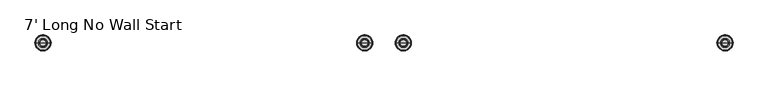
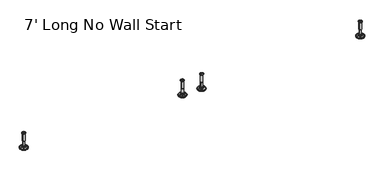
"""IFC4 building model written with IfcOpenShell, lengths in millimetres: furniture geometry, 7' Long No Wall Start."""

from ifc_helpers import new_model, si_unit, frame, origin, place, context, project, spatial, polyline, circle_curve, source, transform, mapped, element, save
from ifc_brep_helpers import plane_surface, cylinder_surface, revolved_surface, advanced_brep


def furniture_7_long_no_wall_start_76ecd195(model_context):
    return source(origin(), model_context, "Body", "AdvancedBrep", [
        advanced_brep(
        [(2076.5372135, 0.0, 101.6), (2085.515135, 0.0, 101.6), (2067.5592921, 0.0, 101.6), (2090.6414535, 0.0, 0.0206943), (2076.5372135, 0.0, 0.0206943), (2062.4329736, 0.0, 0.0206943), (2095.5194852, 0.0, 1.4194474), (2057.5549419, 0.0, 1.4194474), (2099.2814003, 0.0, 4.7394056), (2053.7930268, 0.0, 4.7394056), (2100.3988499, 0.0, 7.5051905), (2052.6755772, 0.0, 7.5051905), (2100.3988499, 0.0, 8.3065967), (2052.6755772, 0.0, 8.3065967), (2099.5564467, 0.0, 9.8469348), (2053.5179804, 0.0, 9.8469348), (2098.456304, 0.0, 10.8375077), (2054.6181231, 0.0, 10.8375077), (2091.1526088, 0.0, 12.7338946), (2061.9218183, 0.0, 12.7338946), (2083.7344574, 0.0, 13.3828987), (2069.3399696, 0.0, 13.3828987), (2083.7344574, 0.0, 14.1772758), (2069.3399696, 0.0, 14.1772758), (2081.3376646, 0.0, 14.1772758), (2071.7367625, 0.0, 14.1772758), (2081.3376646, 0.0, 18.8098403), (2071.7367625, 0.0, 18.8098403), (2082.3535173, 0.0, 19.8256929), (2070.7209098, 0.0, 19.8256929), (2082.3535173, 0.0, 48.3056352), (2070.7209098, 0.0, 48.3056352), (2083.5770452, 0.0, 49.9293116), (2069.4973819, 0.0, 49.9293116), (2083.5770452, 0.0, 97.327223), (2069.4973819, 0.0, 97.327223), (2084.4581495, 0.0, 97.6479188), (2068.6162776, 0.0, 97.6479188), (2085.5071385, 0.0, 97.6479188), (2067.5672886, 0.0, 97.6479188), (2087.1721684, 0.0, 98.6092242), (2065.9022587, 0.0, 98.6092242), (2087.1721684, 0.0, 100.6043539), (2065.9022587, 0.0, 100.6043539)],
        [
            (0, 1),
            (1, 2, circle_curve(frame((2076.5372135, 0.0, 101.6), z_axis=(0.0, 0.0, 1.0), x_axis=(-1.0, 0.0, 0.0)), 8.9779214)),
            (2, 0),
            (2, 1, circle_curve(frame((2076.5372135, 0.0, 101.6), z_axis=(0.0, 0.0, 1.0), x_axis=(-1.0, 0.0, 0.0)), 8.9779214)),
            (3, 4),
            (4, 5),
            (5, 3, circle_curve(frame((2076.5372135, 0.0, 0.0206943), z_axis=(0.0, 0.0, -1.0), x_axis=(-1.0, 0.0, 0.0)), 14.1042399)),
            (3, 5, circle_curve(frame((2076.5372135, 0.0, 0.0206943), z_axis=(0.0, 0.0, -1.0), x_axis=(-1.0, 0.0, 0.0)), 14.1042399)),
            (6, 3),
            (5, 7),
            (7, 6, circle_curve(frame((2076.5372135, 0.0, 1.4194474), z_axis=(0.0, 0.0, -1.0), x_axis=(-1.0, 0.0, 0.0)), 18.9822717)),
            (6, 7, circle_curve(frame((2076.5372135, 0.0, 1.4194474), z_axis=(0.0, 0.0, -1.0), x_axis=(-1.0, 0.0, 0.0)), 18.9822717)),
            (8, 6),
            (7, 9),
            (9, 8, circle_curve(frame((2076.5372135, 0.0, 4.7394056), z_axis=(0.0, 0.0, -1.0), x_axis=(-1.0, 0.0, 0.0)), 22.7441867)),
            (8, 9, circle_curve(frame((2076.5372135, 0.0, 4.7394056), z_axis=(0.0, 0.0, -1.0), x_axis=(-1.0, 0.0, 0.0)), 22.7441867)),
            (10, 8),
            (9, 11),
            (11, 10, circle_curve(frame((2076.5372135, 0.0, 7.5051905), z_axis=(0.0, 0.0, -1.0), x_axis=(-1.0, 0.0, 0.0)), 23.8616363)),
            (10, 11, circle_curve(frame((2076.5372135, 0.0, 7.5051905), z_axis=(0.0, 0.0, -1.0), x_axis=(-1.0, 0.0, 0.0)), 23.8616363)),
            (12, 10),
            (11, 13),
            (13, 12, circle_curve(frame((2076.5372135, 0.0, 8.3065967), z_axis=(0.0, 0.0, -1.0), x_axis=(-1.0, 0.0, 0.0)), 23.8616363)),
            (12, 13, circle_curve(frame((2076.5372135, 0.0, 8.3065967), z_axis=(0.0, 0.0, -1.0), x_axis=(-1.0, 0.0, 0.0)), 23.8616363)),
            (14, 12),
            (13, 15),
            (15, 14, circle_curve(frame((2076.5372135, 0.0, 9.8469348), z_axis=(0.0, 0.0, -1.0), x_axis=(-1.0, 0.0, 0.0)), 23.0192331)),
            (14, 15, circle_curve(frame((2076.5372135, 0.0, 9.8469348), z_axis=(0.0, 0.0, -1.0), x_axis=(-1.0, 0.0, 0.0)), 23.0192331)),
            (16, 14),
            (15, 17),
            (17, 16, circle_curve(frame((2076.5372135, 0.0, 10.8375077), z_axis=(0.0, 0.0, -1.0), x_axis=(-1.0, 0.0, 0.0)), 21.9190905)),
            (16, 17, circle_curve(frame((2076.5372135, 0.0, 10.8375077), z_axis=(0.0, 0.0, -1.0), x_axis=(-1.0, 0.0, 0.0)), 21.9190905)),
            (18, 16),
            (17, 19),
            (19, 18, circle_curve(frame((2076.5372135, 0.0, 12.7338946), z_axis=(0.0, 0.0, -1.0), x_axis=(-1.0, 0.0, 0.0)), 14.6153953)),
            (18, 19, circle_curve(frame((2076.5372135, 0.0, 12.7338946), z_axis=(0.0, 0.0, -1.0), x_axis=(-1.0, 0.0, 0.0)), 14.6153953)),
            (20, 18),
            (19, 21),
            (21, 20, circle_curve(frame((2076.5372135, 0.0, 13.3828987), z_axis=(0.0, 0.0, -1.0), x_axis=(-1.0, 0.0, 0.0)), 7.1972439)),
            (20, 21, circle_curve(frame((2076.5372135, 0.0, 13.3828987), z_axis=(0.0, 0.0, -1.0), x_axis=(-1.0, 0.0, 0.0)), 7.1972439)),
            (22, 20),
            (21, 23),
            (23, 22, circle_curve(frame((2076.5372135, 0.0, 14.1772758), z_axis=(0.0, 0.0, -1.0), x_axis=(-1.0, 0.0, 0.0)), 7.1972439)),
            (22, 23, circle_curve(frame((2076.5372135, 0.0, 14.1772758), z_axis=(0.0, 0.0, -1.0), x_axis=(-1.0, 0.0, 0.0)), 7.1972439)),
            (24, 22),
            (23, 25),
            (25, 24, circle_curve(frame((2076.5372135, 0.0, 14.1772758), z_axis=(0.0, 0.0, -1.0), x_axis=(-1.0, 0.0, 0.0)), 4.8004511)),
            (24, 25, circle_curve(frame((2076.5372135, 0.0, 14.1772758), z_axis=(0.0, 0.0, -1.0), x_axis=(-1.0, 0.0, 0.0)), 4.8004511)),
            (26, 24),
            (25, 27),
            (27, 26, circle_curve(frame((2076.5372135, 0.0, 18.8098403), z_axis=(0.0, 0.0, -1.0), x_axis=(-1.0, 0.0, 0.0)), 4.8004511)),
            (26, 27, circle_curve(frame((2076.5372135, 0.0, 18.8098403), z_axis=(0.0, 0.0, -1.0), x_axis=(-1.0, 0.0, 0.0)), 4.8004511)),
            (28, 26),
            (27, 29),
            (29, 28, circle_curve(frame((2076.5372135, 0.0, 19.8256929), z_axis=(0.0, 0.0, -1.0), x_axis=(-1.0, 0.0, 0.0)), 5.8163037)),
            (28, 29, circle_curve(frame((2076.5372135, 0.0, 19.8256929), z_axis=(0.0, 0.0, -1.0), x_axis=(-1.0, 0.0, 0.0)), 5.8163037)),
            (30, 28),
            (29, 31),
            (31, 30, circle_curve(frame((2076.5372135, 0.0, 48.3056352), z_axis=(0.0, 0.0, -1.0), x_axis=(-1.0, 0.0, 0.0)), 5.8163037)),
            (30, 31, circle_curve(frame((2076.5372135, 0.0, 48.3056352), z_axis=(0.0, 0.0, -1.0), x_axis=(-1.0, 0.0, 0.0)), 5.8163037)),
            (32, 30),
            (31, 33),
            (33, 32, circle_curve(frame((2076.5372135, 0.0, 49.9293116), z_axis=(0.0, 0.0, -1.0), x_axis=(-1.0, 0.0, 0.0)), 7.0398316)),
            (32, 33, circle_curve(frame((2076.5372135, 0.0, 49.9293116), z_axis=(0.0, 0.0, -1.0), x_axis=(-1.0, 0.0, 0.0)), 7.0398316)),
            (34, 32),
            (33, 35),
            (35, 34, circle_curve(frame((2076.5372135, 0.0, 97.327223), z_axis=(0.0, 0.0, -1.0), x_axis=(-1.0, 0.0, 0.0)), 7.0398316)),
            (34, 35, circle_curve(frame((2076.5372135, 0.0, 97.327223), z_axis=(0.0, 0.0, -1.0), x_axis=(-1.0, 0.0, 0.0)), 7.0398316)),
            (36, 34),
            (35, 37),
            (37, 36, circle_curve(frame((2076.5372135, 0.0, 97.6479188), z_axis=(0.0, 0.0, -1.0), x_axis=(-1.0, 0.0, 0.0)), 7.920936)),
            (36, 37, circle_curve(frame((2076.5372135, 0.0, 97.6479188), z_axis=(0.0, 0.0, -1.0), x_axis=(-1.0, 0.0, 0.0)), 7.920936)),
            (38, 36),
            (37, 39),
            (39, 38, circle_curve(frame((2076.5372135, 0.0, 97.6479188), z_axis=(0.0, 0.0, -1.0), x_axis=(-1.0, 0.0, 0.0)), 8.9699249)),
            (38, 39, circle_curve(frame((2076.5372135, 0.0, 97.6479188), z_axis=(0.0, 0.0, -1.0), x_axis=(-1.0, 0.0, 0.0)), 8.9699249)),
            (40, 38),
            (39, 41),
            (41, 40, circle_curve(frame((2076.5372135, 0.0, 98.6092242), z_axis=(0.0, 0.0, -1.0), x_axis=(-1.0, 0.0, 0.0)), 10.6349548)),
            (40, 41, circle_curve(frame((2076.5372135, 0.0, 98.6092242), z_axis=(0.0, 0.0, -1.0), x_axis=(-1.0, 0.0, 0.0)), 10.6349548)),
            (42, 40),
            (41, 43),
            (43, 42, circle_curve(frame((2076.5372135, 0.0, 100.6043539), z_axis=(0.0, 0.0, -1.0), x_axis=(-1.0, 0.0, 0.0)), 10.6349548)),
            (42, 43, circle_curve(frame((2076.5372135, 0.0, 100.6043539), z_axis=(0.0, 0.0, -1.0), x_axis=(-1.0, 0.0, 0.0)), 10.6349548)),
            (1, 42),
            (43, 2),
        ],
        [
            plane_surface(frame((2076.5372135, 0.0, 101.6), z_axis=(0.0, 0.0, 1.0), x_axis=(-1.0, 0.0, 0.0))),
            plane_surface(frame((2076.5372135, 0.0, 0.0206943), z_axis=(0.0, 0.0, -1.0), x_axis=(-1.0, 0.0, 0.0))),
            revolved_surface(polyline([(2062.4329736, 0.0, 0.0206943), (2057.5549419, 0.0, 1.4194474)]), (2076.5372135, 0.0, 101.6), (0.0, 0.0, 1.0)),
            revolved_surface(polyline([(2057.5549419, 0.0, 1.4194474), (2053.7930268, 0.0, 4.7394056)]), (2076.5372135, 0.0, 101.6), (0.0, 0.0, 1.0)),
            revolved_surface(polyline([(2053.7930268, 0.0, 4.7394056), (2052.6755772, 0.0, 7.5051905)]), (2076.5372135, 0.0, 101.6), (0.0, 0.0, 1.0)),
            cylinder_surface(frame((2076.5372135, 0.0, 101.6), z_axis=(0.0, 0.0, 1.0), x_axis=(-1.0, 0.0, 0.0)), 23.8616363),
            revolved_surface(polyline([(2052.6755772, 0.0, 8.3065967), (2053.5179804, 0.0, 9.8469348)]), (2076.5372135, 0.0, 101.6), (0.0, 0.0, 1.0)),
            revolved_surface(polyline([(2053.5179804, 0.0, 9.8469348), (2054.6181231, 0.0, 10.8375077)]), (2076.5372135, 0.0, 101.6), (0.0, 0.0, 1.0)),
            revolved_surface(polyline([(2054.6181231, 0.0, 10.8375077), (2061.9218183, 0.0, 12.7338946)]), (2076.5372135, 0.0, 101.6), (0.0, 0.0, 1.0)),
            revolved_surface(polyline([(2061.9218183, 0.0, 12.7338946), (2069.3399696, 0.0, 13.3828987)]), (2076.5372135, 0.0, 101.6), (0.0, 0.0, 1.0)),
            cylinder_surface(frame((2076.5372135, 0.0, 101.6), z_axis=(0.0, 0.0, 1.0), x_axis=(-1.0, 0.0, 0.0)), 7.1972439),
            plane_surface(frame((2076.5372135, 0.0, 14.1772758), z_axis=(0.0, 0.0, 1.0), x_axis=(-1.0, 0.0, 0.0))),
            cylinder_surface(frame((2076.5372135, 0.0, 101.6), z_axis=(0.0, 0.0, 1.0), x_axis=(-1.0, 0.0, 0.0)), 4.8004511),
            revolved_surface(polyline([(2071.7367625, 0.0, 18.8098403), (2070.7209098, 0.0, 19.8256929)]), (2076.5372135, 0.0, 101.6), (0.0, 0.0, 1.0)),
            cylinder_surface(frame((2076.5372135, 0.0, 101.6), z_axis=(0.0, 0.0, 1.0), x_axis=(-1.0, 0.0, 0.0)), 5.8163037),
            revolved_surface(polyline([(2070.7209098, 0.0, 48.3056352), (2069.4973819, 0.0, 49.9293116)]), (2076.5372135, 0.0, 101.6), (0.0, 0.0, 1.0)),
            cylinder_surface(frame((2076.5372135, 0.0, 101.6), z_axis=(0.0, 0.0, 1.0), x_axis=(-1.0, 0.0, 0.0)), 7.0398316),
            revolved_surface(polyline([(2069.4973819, 0.0, 97.327223), (2068.6162776, 0.0, 97.6479188)]), (2076.5372135, 0.0, 101.6), (0.0, 0.0, 1.0)),
            plane_surface(frame((2076.5372135, 0.0, 97.6479188), z_axis=(0.0, 0.0, -1.0), x_axis=(-1.0, 0.0, 0.0))),
            revolved_surface(polyline([(2067.5672886, 0.0, 97.6479188), (2065.9022587, 0.0, 98.6092242)]), (2076.5372135, 0.0, 101.6), (0.0, 0.0, 1.0)),
            cylinder_surface(frame((2076.5372135, 0.0, 101.6), z_axis=(0.0, 0.0, 1.0), x_axis=(-1.0, 0.0, 0.0)), 10.6349548),
            revolved_surface(polyline([(2065.9022587, 0.0, 100.6043539), (2067.5592921, 0.0, 101.6)]), (2076.5372135, 0.0, 101.6), (0.0, 0.0, 1.0)),
        ],
        [
            (0, [[1, 2, 3]]),
            (0, [[-3, 4, -1]]),
            (1, [[5, 6, 7]]),
            (1, [[-6, -5, 8]]),
            (2, [[9, -7, 10, 11]]),
            (2, [[-10, -8, -9, 12]]),
            (3, [[13, -11, 14, 15]]),
            (3, [[-14, -12, -13, 16]]),
            (4, [[17, -15, 18, 19]]),
            (4, [[-18, -16, -17, 20]]),
            (5, [[21, -19, 22, 23]]),
            (5, [[-22, -20, -21, 24]]),
            (6, [[25, -23, 26, 27]]),
            (6, [[-26, -24, -25, 28]]),
            (7, [[29, -27, 30, 31]]),
            (7, [[-30, -28, -29, 32]]),
            (8, [[33, -31, 34, 35]]),
            (8, [[-34, -32, -33, 36]]),
            (9, [[37, -35, 38, 39]]),
            (9, [[-38, -36, -37, 40]]),
            (10, [[41, -39, 42, 43]]),
            (10, [[-42, -40, -41, 44]]),
            (11, [[45, -43, 46, 47]]),
            (11, [[-46, -44, -45, 48]]),
            (12, [[49, -47, 50, 51]]),
            (12, [[-50, -48, -49, 52]]),
            (13, [[53, -51, 54, 55]]),
            (13, [[-54, -52, -53, 56]]),
            (14, [[57, -55, 58, 59]]),
            (14, [[-58, -56, -57, 60]]),
            (15, [[61, -59, 62, 63]]),
            (15, [[-62, -60, -61, 64]]),
            (16, [[65, -63, 66, 67]]),
            (16, [[-66, -64, -65, 68]]),
            (17, [[69, -67, 70, 71]]),
            (17, [[-70, -68, -69, 72]]),
            (18, [[73, -71, 74, 75]]),
            (18, [[-74, -72, -73, 76]]),
            (19, [[77, -75, 78, 79]]),
            (19, [[-78, -76, -77, 80]]),
            (20, [[81, -79, 82, 83]]),
            (20, [[-82, -80, -81, 84]]),
            (21, [[85, -83, 86, -2]]),
            (21, [[-86, -84, -85, -4]]),
        ],
    ),
        advanced_brep(
        [(1124.1364323, 0.0, 101.6), (1133.1143537, 0.0, 101.6), (1115.1585109, 0.0, 101.6), (1138.2406722, 0.0, 0.0206943), (1124.1364323, 0.0, 0.0206943), (1110.0321924, 0.0, 0.0206943), (1143.118704, 0.0, 1.4194474), (1105.1541606, 0.0, 1.4194474), (1146.880619, 0.0, 4.7394056), (1101.3922456, 0.0, 4.7394056), (1147.9980686, 0.0, 7.5051905), (1100.274796, 0.0, 7.5051905), (1147.9980686, 0.0, 8.3065967), (1100.274796, 0.0, 8.3065967), (1147.1556654, 0.0, 9.8469348), (1101.1171992, 0.0, 9.8469348), (1146.0555228, 0.0, 10.8375077), (1102.2173418, 0.0, 10.8375077), (1138.7518276, 0.0, 12.7338946), (1109.521037, 0.0, 12.7338946), (1131.3336762, 0.0, 13.3828987), (1116.9391884, 0.0, 13.3828987), (1131.3336762, 0.0, 14.1772758), (1116.9391884, 0.0, 14.1772758), (1128.9368834, 0.0, 14.1772758), (1119.3359812, 0.0, 14.1772758), (1128.9368834, 0.0, 18.8098403), (1119.3359812, 0.0, 18.8098403), (1129.952736, 0.0, 19.8256929), (1118.3201286, 0.0, 19.8256929), (1129.952736, 0.0, 48.3056352), (1118.3201286, 0.0, 48.3056352), (1131.1762639, 0.0, 49.9293116), (1117.0966007, 0.0, 49.9293116), (1131.1762639, 0.0, 97.327223), (1117.0966007, 0.0, 97.327223), (1132.0573683, 0.0, 97.6479188), (1116.2154963, 0.0, 97.6479188), (1133.1063572, 0.0, 97.6479188), (1115.1665074, 0.0, 97.6479188), (1134.7713871, 0.0, 98.6092242), (1113.5014775, 0.0, 98.6092242), (1134.7713871, 0.0, 100.6043539), (1113.5014775, 0.0, 100.6043539)],
        [
            (0, 1),
            (1, 2, circle_curve(frame((1124.1364323, 0.0, 101.6), z_axis=(0.0, 0.0, 1.0), x_axis=(-1.0, 0.0, 0.0)), 8.9779214)),
            (2, 0),
            (2, 1, circle_curve(frame((1124.1364323, 0.0, 101.6), z_axis=(0.0, 0.0, 1.0), x_axis=(-1.0, 0.0, 0.0)), 8.9779214)),
            (3, 4),
            (4, 5),
            (5, 3, circle_curve(frame((1124.1364323, 0.0, 0.0206943), z_axis=(0.0, 0.0, -1.0), x_axis=(-1.0, 0.0, 0.0)), 14.1042399)),
            (3, 5, circle_curve(frame((1124.1364323, 0.0, 0.0206943), z_axis=(0.0, 0.0, -1.0), x_axis=(-1.0, 0.0, 0.0)), 14.1042399)),
            (6, 3),
            (5, 7),
            (7, 6, circle_curve(frame((1124.1364323, 0.0, 1.4194474), z_axis=(0.0, 0.0, -1.0), x_axis=(-1.0, 0.0, 0.0)), 18.9822717)),
            (6, 7, circle_curve(frame((1124.1364323, 0.0, 1.4194474), z_axis=(0.0, 0.0, -1.0), x_axis=(-1.0, 0.0, 0.0)), 18.9822717)),
            (8, 6),
            (7, 9),
            (9, 8, circle_curve(frame((1124.1364323, 0.0, 4.7394056), z_axis=(0.0, 0.0, -1.0), x_axis=(-1.0, 0.0, 0.0)), 22.7441867)),
            (8, 9, circle_curve(frame((1124.1364323, 0.0, 4.7394056), z_axis=(0.0, 0.0, -1.0), x_axis=(-1.0, 0.0, 0.0)), 22.7441867)),
            (10, 8),
            (9, 11),
            (11, 10, circle_curve(frame((1124.1364323, 0.0, 7.5051905), z_axis=(0.0, 0.0, -1.0), x_axis=(-1.0, 0.0, 0.0)), 23.8616363)),
            (10, 11, circle_curve(frame((1124.1364323, 0.0, 7.5051905), z_axis=(0.0, 0.0, -1.0), x_axis=(-1.0, 0.0, 0.0)), 23.8616363)),
            (12, 10),
            (11, 13),
            (13, 12, circle_curve(frame((1124.1364323, 0.0, 8.3065967), z_axis=(0.0, 0.0, -1.0), x_axis=(-1.0, 0.0, 0.0)), 23.8616363)),
            (12, 13, circle_curve(frame((1124.1364323, 0.0, 8.3065967), z_axis=(0.0, 0.0, -1.0), x_axis=(-1.0, 0.0, 0.0)), 23.8616363)),
            (14, 12),
            (13, 15),
            (15, 14, circle_curve(frame((1124.1364323, 0.0, 9.8469348), z_axis=(0.0, 0.0, -1.0), x_axis=(-1.0, 0.0, 0.0)), 23.0192331)),
            (14, 15, circle_curve(frame((1124.1364323, 0.0, 9.8469348), z_axis=(0.0, 0.0, -1.0), x_axis=(-1.0, 0.0, 0.0)), 23.0192331)),
            (16, 14),
            (15, 17),
            (17, 16, circle_curve(frame((1124.1364323, 0.0, 10.8375077), z_axis=(0.0, 0.0, -1.0), x_axis=(-1.0, 0.0, 0.0)), 21.9190905)),
            (16, 17, circle_curve(frame((1124.1364323, 0.0, 10.8375077), z_axis=(0.0, 0.0, -1.0), x_axis=(-1.0, 0.0, 0.0)), 21.9190905)),
            (18, 16),
            (17, 19),
            (19, 18, circle_curve(frame((1124.1364323, 0.0, 12.7338946), z_axis=(0.0, 0.0, -1.0), x_axis=(-1.0, 0.0, 0.0)), 14.6153953)),
            (18, 19, circle_curve(frame((1124.1364323, 0.0, 12.7338946), z_axis=(0.0, 0.0, -1.0), x_axis=(-1.0, 0.0, 0.0)), 14.6153953)),
            (20, 18),
            (19, 21),
            (21, 20, circle_curve(frame((1124.1364323, 0.0, 13.3828987), z_axis=(0.0, 0.0, -1.0), x_axis=(-1.0, 0.0, 0.0)), 7.1972439)),
            (20, 21, circle_curve(frame((1124.1364323, 0.0, 13.3828987), z_axis=(0.0, 0.0, -1.0), x_axis=(-1.0, 0.0, 0.0)), 7.1972439)),
            (22, 20),
            (21, 23),
            (23, 22, circle_curve(frame((1124.1364323, 0.0, 14.1772758), z_axis=(0.0, 0.0, -1.0), x_axis=(-1.0, 0.0, 0.0)), 7.1972439)),
            (22, 23, circle_curve(frame((1124.1364323, 0.0, 14.1772758), z_axis=(0.0, 0.0, -1.0), x_axis=(-1.0, 0.0, 0.0)), 7.1972439)),
            (24, 22),
            (23, 25),
            (25, 24, circle_curve(frame((1124.1364323, 0.0, 14.1772758), z_axis=(0.0, 0.0, -1.0), x_axis=(-1.0, 0.0, 0.0)), 4.8004511)),
            (24, 25, circle_curve(frame((1124.1364323, 0.0, 14.1772758), z_axis=(0.0, 0.0, -1.0), x_axis=(-1.0, 0.0, 0.0)), 4.8004511)),
            (26, 24),
            (25, 27),
            (27, 26, circle_curve(frame((1124.1364323, 0.0, 18.8098403), z_axis=(0.0, 0.0, -1.0), x_axis=(-1.0, 0.0, 0.0)), 4.8004511)),
            (26, 27, circle_curve(frame((1124.1364323, 0.0, 18.8098403), z_axis=(0.0, 0.0, -1.0), x_axis=(-1.0, 0.0, 0.0)), 4.8004511)),
            (28, 26),
            (27, 29),
            (29, 28, circle_curve(frame((1124.1364323, 0.0, 19.8256929), z_axis=(0.0, 0.0, -1.0), x_axis=(-1.0, 0.0, 0.0)), 5.8163037)),
            (28, 29, circle_curve(frame((1124.1364323, 0.0, 19.8256929), z_axis=(0.0, 0.0, -1.0), x_axis=(-1.0, 0.0, 0.0)), 5.8163037)),
            (30, 28),
            (29, 31),
            (31, 30, circle_curve(frame((1124.1364323, 0.0, 48.3056352), z_axis=(0.0, 0.0, -1.0), x_axis=(-1.0, 0.0, 0.0)), 5.8163037)),
            (30, 31, circle_curve(frame((1124.1364323, 0.0, 48.3056352), z_axis=(0.0, 0.0, -1.0), x_axis=(-1.0, 0.0, 0.0)), 5.8163037)),
            (32, 30),
            (31, 33),
            (33, 32, circle_curve(frame((1124.1364323, 0.0, 49.9293116), z_axis=(0.0, 0.0, -1.0), x_axis=(-1.0, 0.0, 0.0)), 7.0398316)),
            (32, 33, circle_curve(frame((1124.1364323, 0.0, 49.9293116), z_axis=(0.0, 0.0, -1.0), x_axis=(-1.0, 0.0, 0.0)), 7.0398316)),
            (34, 32),
            (33, 35),
            (35, 34, circle_curve(frame((1124.1364323, 0.0, 97.327223), z_axis=(0.0, 0.0, -1.0), x_axis=(-1.0, 0.0, 0.0)), 7.0398316)),
            (34, 35, circle_curve(frame((1124.1364323, 0.0, 97.327223), z_axis=(0.0, 0.0, -1.0), x_axis=(-1.0, 0.0, 0.0)), 7.0398316)),
            (36, 34),
            (35, 37),
            (37, 36, circle_curve(frame((1124.1364323, 0.0, 97.6479188), z_axis=(0.0, 0.0, -1.0), x_axis=(-1.0, 0.0, 0.0)), 7.920936)),
            (36, 37, circle_curve(frame((1124.1364323, 0.0, 97.6479188), z_axis=(0.0, 0.0, -1.0), x_axis=(-1.0, 0.0, 0.0)), 7.920936)),
            (38, 36),
            (37, 39),
            (39, 38, circle_curve(frame((1124.1364323, 0.0, 97.6479188), z_axis=(0.0, 0.0, -1.0), x_axis=(-1.0, 0.0, 0.0)), 8.9699249)),
            (38, 39, circle_curve(frame((1124.1364323, 0.0, 97.6479188), z_axis=(0.0, 0.0, -1.0), x_axis=(-1.0, 0.0, 0.0)), 8.9699249)),
            (40, 38),
            (39, 41),
            (41, 40, circle_curve(frame((1124.1364323, 0.0, 98.6092242), z_axis=(0.0, 0.0, -1.0), x_axis=(-1.0, 0.0, 0.0)), 10.6349548)),
            (40, 41, circle_curve(frame((1124.1364323, 0.0, 98.6092242), z_axis=(0.0, 0.0, -1.0), x_axis=(-1.0, 0.0, 0.0)), 10.6349548)),
            (42, 40),
            (41, 43),
            (43, 42, circle_curve(frame((1124.1364323, 0.0, 100.6043539), z_axis=(0.0, 0.0, -1.0), x_axis=(-1.0, 0.0, 0.0)), 10.6349548)),
            (42, 43, circle_curve(frame((1124.1364323, 0.0, 100.6043539), z_axis=(0.0, 0.0, -1.0), x_axis=(-1.0, 0.0, 0.0)), 10.6349548)),
            (1, 42),
            (43, 2),
        ],
        [
            plane_surface(frame((1124.1364323, 0.0, 101.6), z_axis=(0.0, 0.0, 1.0), x_axis=(-1.0, 0.0, 0.0))),
            plane_surface(frame((1124.1364323, 0.0, 0.0206943), z_axis=(0.0, 0.0, -1.0), x_axis=(-1.0, 0.0, 0.0))),
            revolved_surface(polyline([(1110.0321924, 0.0, 0.0206943), (1105.1541606, 0.0, 1.4194474)]), (1124.1364323, 0.0, 101.6), (0.0, 0.0, 1.0)),
            revolved_surface(polyline([(1105.1541606, 0.0, 1.4194474), (1101.3922456, 0.0, 4.7394056)]), (1124.1364323, 0.0, 101.6), (0.0, 0.0, 1.0)),
            revolved_surface(polyline([(1101.3922456, 0.0, 4.7394056), (1100.274796, 0.0, 7.5051905)]), (1124.1364323, 0.0, 101.6), (0.0, 0.0, 1.0)),
            cylinder_surface(frame((1124.1364323, 0.0, 101.6), z_axis=(0.0, 0.0, 1.0), x_axis=(-1.0, 0.0, 0.0)), 23.8616363),
            revolved_surface(polyline([(1100.274796, 0.0, 8.3065967), (1101.1171992, 0.0, 9.8469348)]), (1124.1364323, 0.0, 101.6), (0.0, 0.0, 1.0)),
            revolved_surface(polyline([(1101.1171992, 0.0, 9.8469348), (1102.2173418, 0.0, 10.8375077)]), (1124.1364323, 0.0, 101.6), (0.0, 0.0, 1.0)),
            revolved_surface(polyline([(1102.2173418, 0.0, 10.8375077), (1109.521037, 0.0, 12.7338946)]), (1124.1364323, 0.0, 101.6), (0.0, 0.0, 1.0)),
            revolved_surface(polyline([(1109.521037, 0.0, 12.7338946), (1116.9391884, 0.0, 13.3828987)]), (1124.1364323, 0.0, 101.6), (0.0, 0.0, 1.0)),
            cylinder_surface(frame((1124.1364323, 0.0, 101.6), z_axis=(0.0, 0.0, 1.0), x_axis=(-1.0, 0.0, 0.0)), 7.1972439),
            plane_surface(frame((1124.1364323, 0.0, 14.1772758), z_axis=(0.0, 0.0, 1.0), x_axis=(-1.0, 0.0, 0.0))),
            cylinder_surface(frame((1124.1364323, 0.0, 101.6), z_axis=(0.0, 0.0, 1.0), x_axis=(-1.0, 0.0, 0.0)), 4.8004511),
            revolved_surface(polyline([(1119.3359812, 0.0, 18.8098403), (1118.3201286, 0.0, 19.8256929)]), (1124.1364323, 0.0, 101.6), (0.0, 0.0, 1.0)),
            cylinder_surface(frame((1124.1364323, 0.0, 101.6), z_axis=(0.0, 0.0, 1.0), x_axis=(-1.0, 0.0, 0.0)), 5.8163037),
            revolved_surface(polyline([(1118.3201286, 0.0, 48.3056352), (1117.0966007, 0.0, 49.9293116)]), (1124.1364323, 0.0, 101.6), (0.0, 0.0, 1.0)),
            cylinder_surface(frame((1124.1364323, 0.0, 101.6), z_axis=(0.0, 0.0, 1.0), x_axis=(-1.0, 0.0, 0.0)), 7.0398316),
            revolved_surface(polyline([(1117.0966007, 0.0, 97.327223), (1116.2154963, 0.0, 97.6479188)]), (1124.1364323, 0.0, 101.6), (0.0, 0.0, 1.0)),
            plane_surface(frame((1124.1364323, 0.0, 97.6479188), z_axis=(0.0, 0.0, -1.0), x_axis=(-1.0, 0.0, 0.0))),
            revolved_surface(polyline([(1115.1665074, 0.0, 97.6479188), (1113.5014775, 0.0, 98.6092242)]), (1124.1364323, 0.0, 101.6), (0.0, 0.0, 1.0)),
            cylinder_surface(frame((1124.1364323, 0.0, 101.6), z_axis=(0.0, 0.0, 1.0), x_axis=(-1.0, 0.0, 0.0)), 10.6349548),
            revolved_surface(polyline([(1113.5014775, 0.0, 100.6043539), (1115.1585109, 0.0, 101.6)]), (1124.1364323, 0.0, 101.6), (0.0, 0.0, 1.0)),
        ],
        [
            (0, [[1, 2, 3]]),
            (0, [[-3, 4, -1]]),
            (1, [[5, 6, 7]]),
            (1, [[-6, -5, 8]]),
            (2, [[9, -7, 10, 11]]),
            (2, [[-10, -8, -9, 12]]),
            (3, [[13, -11, 14, 15]]),
            (3, [[-14, -12, -13, 16]]),
            (4, [[17, -15, 18, 19]]),
            (4, [[-18, -16, -17, 20]]),
            (5, [[21, -19, 22, 23]]),
            (5, [[-22, -20, -21, 24]]),
            (6, [[25, -23, 26, 27]]),
            (6, [[-26, -24, -25, 28]]),
            (7, [[29, -27, 30, 31]]),
            (7, [[-30, -28, -29, 32]]),
            (8, [[33, -31, 34, 35]]),
            (8, [[-34, -32, -33, 36]]),
            (9, [[37, -35, 38, 39]]),
            (9, [[-38, -36, -37, 40]]),
            (10, [[41, -39, 42, 43]]),
            (10, [[-42, -40, -41, 44]]),
            (11, [[45, -43, 46, 47]]),
            (11, [[-46, -44, -45, 48]]),
            (12, [[49, -47, 50, 51]]),
            (12, [[-50, -48, -49, 52]]),
            (13, [[53, -51, 54, 55]]),
            (13, [[-54, -52, -53, 56]]),
            (14, [[57, -55, 58, 59]]),
            (14, [[-58, -56, -57, 60]]),
            (15, [[61, -59, 62, 63]]),
            (15, [[-62, -60, -61, 64]]),
            (16, [[65, -63, 66, 67]]),
            (16, [[-66, -64, -65, 68]]),
            (17, [[69, -67, 70, 71]]),
            (17, [[-70, -68, -69, 72]]),
            (18, [[73, -71, 74, 75]]),
            (18, [[-74, -72, -73, 76]]),
            (19, [[77, -75, 78, 79]]),
            (19, [[-78, -76, -77, 80]]),
            (20, [[81, -79, 82, 83]]),
            (20, [[-82, -80, -81, 84]]),
            (21, [[85, -83, 86, -2]]),
            (21, [[-86, -84, -85, -4]]),
        ],
    ),
        advanced_brep(
        [(1009.4635677, 0.0, 101.6), (1018.4414891, 0.0, 101.6), (1000.4856463, 0.0, 101.6), (995.3593278, 0.0, 0.0206943), (1023.5678076, 0.0, 0.0206943), (1009.4635677, 0.0, 0.0206943), (990.481296, 0.0, 1.4194474), (1028.4458394, 0.0, 1.4194474), (986.719381, 0.0, 4.7394056), (1032.2077544, 0.0, 4.7394056), (985.6019314, 0.0, 7.5051905), (1033.325204, 0.0, 7.5051905), (985.6019314, 0.0, 8.3065967), (1033.325204, 0.0, 8.3065967), (986.4443346, 0.0, 9.8469348), (1032.4828008, 0.0, 9.8469348), (987.5444772, 0.0, 10.8375077), (1031.3826582, 0.0, 10.8375077), (994.8481724, 0.0, 12.7338946), (1024.078963, 0.0, 12.7338946), (1002.2663238, 0.0, 13.3828987), (1016.6608116, 0.0, 13.3828987), (1002.2663238, 0.0, 14.1772758), (1016.6608116, 0.0, 14.1772758), (1004.6631166, 0.0, 14.1772758), (1014.2640188, 0.0, 14.1772758), (1004.6631166, 0.0, 18.8098403), (1014.2640188, 0.0, 18.8098403), (1003.647264, 0.0, 19.8256929), (1015.2798714, 0.0, 19.8256929), (1003.647264, 0.0, 48.3056352), (1015.2798714, 0.0, 48.3056352), (1002.4237361, 0.0, 49.9293116), (1016.5033993, 0.0, 49.9293116), (1002.4237361, 0.0, 97.327223), (1016.5033993, 0.0, 97.327223), (1001.5426317, 0.0, 97.6479188), (1017.3845037, 0.0, 97.6479188), (1000.4936428, 0.0, 97.6479188), (1018.4334926, 0.0, 97.6479188), (998.8286129, 0.0, 98.6092242), (1020.0985225, 0.0, 98.6092242), (998.8286129, 0.0, 100.6043539), (1020.0985225, 0.0, 100.6043539)],
        [
            (0, 1),
            (1, 2, circle_curve(frame((1009.4635677, 0.0, 101.6), z_axis=(0.0, 0.0, 1.0), x_axis=(1.0, 0.0, 0.0)), 8.9779214)),
            (2, 0),
            (2, 1, circle_curve(frame((1009.4635677, 0.0, 101.6), z_axis=(0.0, 0.0, 1.0), x_axis=(1.0, 0.0, 0.0)), 8.9779214)),
            (3, 4, circle_curve(frame((1009.4635677, 0.0, 0.0206943), z_axis=(0.0, 0.0, -1.0), x_axis=(1.0, 0.0, 0.0)), 14.1042399)),
            (4, 5),
            (5, 3),
            (4, 3, circle_curve(frame((1009.4635677, 0.0, 0.0206943), z_axis=(0.0, 0.0, -1.0), x_axis=(1.0, 0.0, 0.0)), 14.1042399)),
            (6, 7, circle_curve(frame((1009.4635677, 0.0, 1.4194474), z_axis=(0.0, 0.0, -1.0), x_axis=(1.0, 0.0, 0.0)), 18.9822717)),
            (7, 4),
            (3, 6),
            (7, 6, circle_curve(frame((1009.4635677, 0.0, 1.4194474), z_axis=(0.0, 0.0, -1.0), x_axis=(1.0, 0.0, 0.0)), 18.9822717)),
            (8, 9, circle_curve(frame((1009.4635677, 0.0, 4.7394056), z_axis=(0.0, 0.0, -1.0), x_axis=(1.0, 0.0, 0.0)), 22.7441867)),
            (9, 7),
            (6, 8),
            (9, 8, circle_curve(frame((1009.4635677, 0.0, 4.7394056), z_axis=(0.0, 0.0, -1.0), x_axis=(1.0, 0.0, 0.0)), 22.7441867)),
            (10, 11, circle_curve(frame((1009.4635677, 0.0, 7.5051905), z_axis=(0.0, 0.0, -1.0), x_axis=(1.0, 0.0, 0.0)), 23.8616363)),
            (11, 9),
            (8, 10),
            (11, 10, circle_curve(frame((1009.4635677, 0.0, 7.5051905), z_axis=(0.0, 0.0, -1.0), x_axis=(1.0, 0.0, 0.0)), 23.8616363)),
            (12, 13, circle_curve(frame((1009.4635677, 0.0, 8.3065967), z_axis=(0.0, 0.0, -1.0), x_axis=(1.0, 0.0, 0.0)), 23.8616363)),
            (13, 11),
            (10, 12),
            (13, 12, circle_curve(frame((1009.4635677, 0.0, 8.3065967), z_axis=(0.0, 0.0, -1.0), x_axis=(1.0, 0.0, 0.0)), 23.8616363)),
            (14, 15, circle_curve(frame((1009.4635677, 0.0, 9.8469348), z_axis=(0.0, 0.0, -1.0), x_axis=(1.0, 0.0, 0.0)), 23.0192331)),
            (15, 13),
            (12, 14),
            (15, 14, circle_curve(frame((1009.4635677, 0.0, 9.8469348), z_axis=(0.0, 0.0, -1.0), x_axis=(1.0, 0.0, 0.0)), 23.0192331)),
            (16, 17, circle_curve(frame((1009.4635677, 0.0, 10.8375077), z_axis=(0.0, 0.0, -1.0), x_axis=(1.0, 0.0, 0.0)), 21.9190905)),
            (17, 15),
            (14, 16),
            (17, 16, circle_curve(frame((1009.4635677, 0.0, 10.8375077), z_axis=(0.0, 0.0, -1.0), x_axis=(1.0, 0.0, 0.0)), 21.9190905)),
            (18, 19, circle_curve(frame((1009.4635677, 0.0, 12.7338946), z_axis=(0.0, 0.0, -1.0), x_axis=(1.0, 0.0, 0.0)), 14.6153953)),
            (19, 17),
            (16, 18),
            (19, 18, circle_curve(frame((1009.4635677, 0.0, 12.7338946), z_axis=(0.0, 0.0, -1.0), x_axis=(1.0, 0.0, 0.0)), 14.6153953)),
            (20, 21, circle_curve(frame((1009.4635677, 0.0, 13.3828987), z_axis=(0.0, 0.0, -1.0), x_axis=(1.0, 0.0, 0.0)), 7.1972439)),
            (21, 19),
            (18, 20),
            (21, 20, circle_curve(frame((1009.4635677, 0.0, 13.3828987), z_axis=(0.0, 0.0, -1.0), x_axis=(1.0, 0.0, 0.0)), 7.1972439)),
            (22, 23, circle_curve(frame((1009.4635677, 0.0, 14.1772758), z_axis=(0.0, 0.0, -1.0), x_axis=(1.0, 0.0, 0.0)), 7.1972439)),
            (23, 21),
            (20, 22),
            (23, 22, circle_curve(frame((1009.4635677, 0.0, 14.1772758), z_axis=(0.0, 0.0, -1.0), x_axis=(1.0, 0.0, 0.0)), 7.1972439)),
            (24, 25, circle_curve(frame((1009.4635677, 0.0, 14.1772758), z_axis=(0.0, 0.0, -1.0), x_axis=(1.0, 0.0, 0.0)), 4.8004511)),
            (25, 23),
            (22, 24),
            (25, 24, circle_curve(frame((1009.4635677, 0.0, 14.1772758), z_axis=(0.0, 0.0, -1.0), x_axis=(1.0, 0.0, 0.0)), 4.8004511)),
            (26, 27, circle_curve(frame((1009.4635677, 0.0, 18.8098403), z_axis=(0.0, 0.0, -1.0), x_axis=(1.0, 0.0, 0.0)), 4.8004511)),
            (27, 25),
            (24, 26),
            (27, 26, circle_curve(frame((1009.4635677, 0.0, 18.8098403), z_axis=(0.0, 0.0, -1.0), x_axis=(1.0, 0.0, 0.0)), 4.8004511)),
            (28, 29, circle_curve(frame((1009.4635677, 0.0, 19.8256929), z_axis=(0.0, 0.0, -1.0), x_axis=(1.0, 0.0, 0.0)), 5.8163037)),
            (29, 27),
            (26, 28),
            (29, 28, circle_curve(frame((1009.4635677, 0.0, 19.8256929), z_axis=(0.0, 0.0, -1.0), x_axis=(1.0, 0.0, 0.0)), 5.8163037)),
            (30, 31, circle_curve(frame((1009.4635677, 0.0, 48.3056352), z_axis=(0.0, 0.0, -1.0), x_axis=(1.0, 0.0, 0.0)), 5.8163037)),
            (31, 29),
            (28, 30),
            (31, 30, circle_curve(frame((1009.4635677, 0.0, 48.3056352), z_axis=(0.0, 0.0, -1.0), x_axis=(1.0, 0.0, 0.0)), 5.8163037)),
            (32, 33, circle_curve(frame((1009.4635677, 0.0, 49.9293116), z_axis=(0.0, 0.0, -1.0), x_axis=(1.0, 0.0, 0.0)), 7.0398316)),
            (33, 31),
            (30, 32),
            (33, 32, circle_curve(frame((1009.4635677, 0.0, 49.9293116), z_axis=(0.0, 0.0, -1.0), x_axis=(1.0, 0.0, 0.0)), 7.0398316)),
            (34, 35, circle_curve(frame((1009.4635677, 0.0, 97.327223), z_axis=(0.0, 0.0, -1.0), x_axis=(1.0, 0.0, 0.0)), 7.0398316)),
            (35, 33),
            (32, 34),
            (35, 34, circle_curve(frame((1009.4635677, 0.0, 97.327223), z_axis=(0.0, 0.0, -1.0), x_axis=(1.0, 0.0, 0.0)), 7.0398316)),
            (36, 37, circle_curve(frame((1009.4635677, 0.0, 97.6479188), z_axis=(0.0, 0.0, -1.0), x_axis=(1.0, 0.0, 0.0)), 7.920936)),
            (37, 35),
            (34, 36),
            (37, 36, circle_curve(frame((1009.4635677, 0.0, 97.6479188), z_axis=(0.0, 0.0, -1.0), x_axis=(1.0, 0.0, 0.0)), 7.920936)),
            (38, 39, circle_curve(frame((1009.4635677, 0.0, 97.6479188), z_axis=(0.0, 0.0, -1.0), x_axis=(1.0, 0.0, 0.0)), 8.9699249)),
            (39, 37),
            (36, 38),
            (39, 38, circle_curve(frame((1009.4635677, 0.0, 97.6479188), z_axis=(0.0, 0.0, -1.0), x_axis=(1.0, 0.0, 0.0)), 8.9699249)),
            (40, 41, circle_curve(frame((1009.4635677, 0.0, 98.6092242), z_axis=(0.0, 0.0, -1.0), x_axis=(1.0, 0.0, 0.0)), 10.6349548)),
            (41, 39),
            (38, 40),
            (41, 40, circle_curve(frame((1009.4635677, 0.0, 98.6092242), z_axis=(0.0, 0.0, -1.0), x_axis=(1.0, 0.0, 0.0)), 10.6349548)),
            (42, 43, circle_curve(frame((1009.4635677, 0.0, 100.6043539), z_axis=(0.0, 0.0, -1.0), x_axis=(1.0, 0.0, 0.0)), 10.6349548)),
            (43, 41),
            (40, 42),
            (43, 42, circle_curve(frame((1009.4635677, 0.0, 100.6043539), z_axis=(0.0, 0.0, -1.0), x_axis=(1.0, 0.0, 0.0)), 10.6349548)),
            (1, 43),
            (42, 2),
        ],
        [
            plane_surface(frame((1009.4635677, 0.0, 101.6), z_axis=(0.0, 0.0, 1.0), x_axis=(1.0, 0.0, 0.0))),
            plane_surface(frame((1009.4635677, 0.0, 0.0206943), z_axis=(0.0, 0.0, -1.0), x_axis=(1.0, 0.0, 0.0))),
            revolved_surface(polyline([(1023.5678076, 0.0, 0.0206943), (1028.4458394, 0.0, 1.4194474)]), (1009.4635677, 0.0, 101.6), (0.0, 0.0, 1.0)),
            revolved_surface(polyline([(1028.4458394, 0.0, 1.4194474), (1032.2077544, 0.0, 4.7394056)]), (1009.4635677, 0.0, 101.6), (0.0, 0.0, 1.0)),
            revolved_surface(polyline([(1032.2077544, 0.0, 4.7394056), (1033.325204, 0.0, 7.5051905)]), (1009.4635677, 0.0, 101.6), (0.0, 0.0, 1.0)),
            cylinder_surface(frame((1009.4635677, 0.0, 101.6), z_axis=(0.0, 0.0, 1.0), x_axis=(1.0, 0.0, 0.0)), 23.8616363),
            revolved_surface(polyline([(1033.325204, 0.0, 8.3065967), (1032.4828008, 0.0, 9.8469348)]), (1009.4635677, 0.0, 101.6), (0.0, 0.0, 1.0)),
            revolved_surface(polyline([(1032.4828008, 0.0, 9.8469348), (1031.3826582, 0.0, 10.8375077)]), (1009.4635677, 0.0, 101.6), (0.0, 0.0, 1.0)),
            revolved_surface(polyline([(1031.3826582, 0.0, 10.8375077), (1024.078963, 0.0, 12.7338946)]), (1009.4635677, 0.0, 101.6), (0.0, 0.0, 1.0)),
            revolved_surface(polyline([(1024.078963, 0.0, 12.7338946), (1016.6608116, 0.0, 13.3828987)]), (1009.4635677, 0.0, 101.6), (0.0, 0.0, 1.0)),
            cylinder_surface(frame((1009.4635677, 0.0, 101.6), z_axis=(0.0, 0.0, 1.0), x_axis=(1.0, 0.0, 0.0)), 7.1972439),
            plane_surface(frame((1009.4635677, 0.0, 14.1772758), z_axis=(0.0, 0.0, 1.0), x_axis=(1.0, 0.0, 0.0))),
            cylinder_surface(frame((1009.4635677, 0.0, 101.6), z_axis=(0.0, 0.0, 1.0), x_axis=(1.0, 0.0, 0.0)), 4.8004511),
            revolved_surface(polyline([(1014.2640188, 0.0, 18.8098403), (1015.2798714, 0.0, 19.8256929)]), (1009.4635677, 0.0, 101.6), (0.0, 0.0, 1.0)),
            cylinder_surface(frame((1009.4635677, 0.0, 101.6), z_axis=(0.0, 0.0, 1.0), x_axis=(1.0, 0.0, 0.0)), 5.8163037),
            revolved_surface(polyline([(1015.2798714, 0.0, 48.3056352), (1016.5033993, 0.0, 49.9293116)]), (1009.4635677, 0.0, 101.6), (0.0, 0.0, 1.0)),
            cylinder_surface(frame((1009.4635677, 0.0, 101.6), z_axis=(0.0, 0.0, 1.0), x_axis=(1.0, 0.0, 0.0)), 7.0398316),
            revolved_surface(polyline([(1016.5033993, 0.0, 97.327223), (1017.3845037, 0.0, 97.6479188)]), (1009.4635677, 0.0, 101.6), (0.0, 0.0, 1.0)),
            plane_surface(frame((1009.4635677, 0.0, 97.6479188), z_axis=(0.0, 0.0, -1.0), x_axis=(1.0, 0.0, 0.0))),
            revolved_surface(polyline([(1018.4334926, 0.0, 97.6479188), (1020.0985225, 0.0, 98.6092242)]), (1009.4635677, 0.0, 101.6), (0.0, 0.0, 1.0)),
            cylinder_surface(frame((1009.4635677, 0.0, 101.6), z_axis=(0.0, 0.0, 1.0), x_axis=(1.0, 0.0, 0.0)), 10.6349548),
            revolved_surface(polyline([(1020.0985225, 0.0, 100.6043539), (1018.4414891, 0.0, 101.6)]), (1009.4635677, 0.0, 101.6), (0.0, 0.0, 1.0)),
        ],
        [
            (0, [[1, 2, 3]]),
            (0, [[-3, 4, -1]]),
            (1, [[5, 6, 7]]),
            (1, [[8, -7, -6]]),
            (2, [[9, 10, -5, 11]]),
            (2, [[12, -11, -8, -10]]),
            (3, [[13, 14, -9, 15]]),
            (3, [[16, -15, -12, -14]]),
            (4, [[17, 18, -13, 19]]),
            (4, [[20, -19, -16, -18]]),
            (5, [[21, 22, -17, 23]]),
            (5, [[24, -23, -20, -22]]),
            (6, [[25, 26, -21, 27]]),
            (6, [[28, -27, -24, -26]]),
            (7, [[29, 30, -25, 31]]),
            (7, [[32, -31, -28, -30]]),
            (8, [[33, 34, -29, 35]]),
            (8, [[36, -35, -32, -34]]),
            (9, [[37, 38, -33, 39]]),
            (9, [[40, -39, -36, -38]]),
            (10, [[41, 42, -37, 43]]),
            (10, [[44, -43, -40, -42]]),
            (11, [[45, 46, -41, 47]]),
            (11, [[48, -47, -44, -46]]),
            (12, [[49, 50, -45, 51]]),
            (12, [[52, -51, -48, -50]]),
            (13, [[53, 54, -49, 55]]),
            (13, [[56, -55, -52, -54]]),
            (14, [[57, 58, -53, 59]]),
            (14, [[60, -59, -56, -58]]),
            (15, [[61, 62, -57, 63]]),
            (15, [[64, -63, -60, -62]]),
            (16, [[65, 66, -61, 67]]),
            (16, [[68, -67, -64, -66]]),
            (17, [[69, 70, -65, 71]]),
            (17, [[72, -71, -68, -70]]),
            (18, [[73, 74, -69, 75]]),
            (18, [[76, -75, -72, -74]]),
            (19, [[77, 78, -73, 79]]),
            (19, [[80, -79, -76, -78]]),
            (20, [[81, 82, -77, 83]]),
            (20, [[84, -83, -80, -82]]),
            (21, [[-2, 85, -81, 86]]),
            (21, [[-4, -86, -84, -85]]),
        ],
    ),
        advanced_brep(
        [(57.0627865, 0.0, 101.6), (66.0407079, 0.0, 101.6), (48.084865, 0.0, 101.6), (42.9585465, 0.0, 0.0206943), (71.1670264, 0.0, 0.0206943), (57.0627865, 0.0, 0.0206943), (38.0805148, 0.0, 1.4194474), (76.0450581, 0.0, 1.4194474), (34.3185997, 0.0, 4.7394056), (79.8069732, 0.0, 4.7394056), (33.2011501, 0.0, 7.5051905), (80.9244228, 0.0, 7.5051905), (33.2011501, 0.0, 8.3065967), (80.9244228, 0.0, 8.3065967), (34.0435533, 0.0, 9.8469348), (80.0820196, 0.0, 9.8469348), (35.143696, 0.0, 10.8375077), (78.9818769, 0.0, 10.8375077), (42.4473912, 0.0, 12.7338946), (71.6781817, 0.0, 12.7338946), (49.8655426, 0.0, 13.3828987), (64.2600304, 0.0, 13.3828987), (49.8655426, 0.0, 14.1772758), (64.2600304, 0.0, 14.1772758), (52.2623354, 0.0, 14.1772758), (61.8632375, 0.0, 14.1772758), (52.2623354, 0.0, 18.8098403), (61.8632375, 0.0, 18.8098403), (51.2464827, 0.0, 19.8256929), (62.8790902, 0.0, 19.8256929), (51.2464827, 0.0, 48.3056352), (62.8790902, 0.0, 48.3056352), (50.0229548, 0.0, 49.9293116), (64.1026181, 0.0, 49.9293116), (50.0229548, 0.0, 97.327223), (64.1026181, 0.0, 97.327223), (49.1418505, 0.0, 97.6479188), (64.9837224, 0.0, 97.6479188), (48.0928615, 0.0, 97.6479188), (66.0327114, 0.0, 97.6479188), (46.4278316, 0.0, 98.6092242), (67.6977413, 0.0, 98.6092242), (46.4278316, 0.0, 100.6043539), (67.6977413, 0.0, 100.6043539)],
        [
            (0, 1),
            (1, 2, circle_curve(frame((57.0627865, 0.0, 101.6), z_axis=(0.0, 0.0, 1.0), x_axis=(1.0, 0.0, 0.0)), 8.9779214)),
            (2, 0),
            (2, 1, circle_curve(frame((57.0627865, 0.0, 101.6), z_axis=(0.0, 0.0, 1.0), x_axis=(1.0, 0.0, 0.0)), 8.9779214)),
            (3, 4, circle_curve(frame((57.0627865, 0.0, 0.0206943), z_axis=(0.0, 0.0, -1.0), x_axis=(1.0, 0.0, 0.0)), 14.1042399)),
            (4, 5),
            (5, 3),
            (4, 3, circle_curve(frame((57.0627865, 0.0, 0.0206943), z_axis=(0.0, 0.0, -1.0), x_axis=(1.0, 0.0, 0.0)), 14.1042399)),
            (6, 7, circle_curve(frame((57.0627865, 0.0, 1.4194474), z_axis=(0.0, 0.0, -1.0), x_axis=(1.0, 0.0, 0.0)), 18.9822717)),
            (7, 4),
            (3, 6),
            (7, 6, circle_curve(frame((57.0627865, 0.0, 1.4194474), z_axis=(0.0, 0.0, -1.0), x_axis=(1.0, 0.0, 0.0)), 18.9822717)),
            (8, 9, circle_curve(frame((57.0627865, 0.0, 4.7394056), z_axis=(0.0, 0.0, -1.0), x_axis=(1.0, 0.0, 0.0)), 22.7441867)),
            (9, 7),
            (6, 8),
            (9, 8, circle_curve(frame((57.0627865, 0.0, 4.7394056), z_axis=(0.0, 0.0, -1.0), x_axis=(1.0, 0.0, 0.0)), 22.7441867)),
            (10, 11, circle_curve(frame((57.0627865, 0.0, 7.5051905), z_axis=(0.0, 0.0, -1.0), x_axis=(1.0, 0.0, 0.0)), 23.8616363)),
            (11, 9),
            (8, 10),
            (11, 10, circle_curve(frame((57.0627865, 0.0, 7.5051905), z_axis=(0.0, 0.0, -1.0), x_axis=(1.0, 0.0, 0.0)), 23.8616363)),
            (12, 13, circle_curve(frame((57.0627865, 0.0, 8.3065967), z_axis=(0.0, 0.0, -1.0), x_axis=(1.0, 0.0, 0.0)), 23.8616363)),
            (13, 11),
            (10, 12),
            (13, 12, circle_curve(frame((57.0627865, 0.0, 8.3065967), z_axis=(0.0, 0.0, -1.0), x_axis=(1.0, 0.0, 0.0)), 23.8616363)),
            (14, 15, circle_curve(frame((57.0627865, 0.0, 9.8469348), z_axis=(0.0, 0.0, -1.0), x_axis=(1.0, 0.0, 0.0)), 23.0192331)),
            (15, 13),
            (12, 14),
            (15, 14, circle_curve(frame((57.0627865, 0.0, 9.8469348), z_axis=(0.0, 0.0, -1.0), x_axis=(1.0, 0.0, 0.0)), 23.0192331)),
            (16, 17, circle_curve(frame((57.0627865, 0.0, 10.8375077), z_axis=(0.0, 0.0, -1.0), x_axis=(1.0, 0.0, 0.0)), 21.9190905)),
            (17, 15),
            (14, 16),
            (17, 16, circle_curve(frame((57.0627865, 0.0, 10.8375077), z_axis=(0.0, 0.0, -1.0), x_axis=(1.0, 0.0, 0.0)), 21.9190905)),
            (18, 19, circle_curve(frame((57.0627865, 0.0, 12.7338946), z_axis=(0.0, 0.0, -1.0), x_axis=(1.0, 0.0, 0.0)), 14.6153953)),
            (19, 17),
            (16, 18),
            (19, 18, circle_curve(frame((57.0627865, 0.0, 12.7338946), z_axis=(0.0, 0.0, -1.0), x_axis=(1.0, 0.0, 0.0)), 14.6153953)),
            (20, 21, circle_curve(frame((57.0627865, 0.0, 13.3828987), z_axis=(0.0, 0.0, -1.0), x_axis=(1.0, 0.0, 0.0)), 7.1972439)),
            (21, 19),
            (18, 20),
            (21, 20, circle_curve(frame((57.0627865, 0.0, 13.3828987), z_axis=(0.0, 0.0, -1.0), x_axis=(1.0, 0.0, 0.0)), 7.1972439)),
            (22, 23, circle_curve(frame((57.0627865, 0.0, 14.1772758), z_axis=(0.0, 0.0, -1.0), x_axis=(1.0, 0.0, 0.0)), 7.1972439)),
            (23, 21),
            (20, 22),
            (23, 22, circle_curve(frame((57.0627865, 0.0, 14.1772758), z_axis=(0.0, 0.0, -1.0), x_axis=(1.0, 0.0, 0.0)), 7.1972439)),
            (24, 25, circle_curve(frame((57.0627865, 0.0, 14.1772758), z_axis=(0.0, 0.0, -1.0), x_axis=(1.0, 0.0, 0.0)), 4.8004511)),
            (25, 23),
            (22, 24),
            (25, 24, circle_curve(frame((57.0627865, 0.0, 14.1772758), z_axis=(0.0, 0.0, -1.0), x_axis=(1.0, 0.0, 0.0)), 4.8004511)),
            (26, 27, circle_curve(frame((57.0627865, 0.0, 18.8098403), z_axis=(0.0, 0.0, -1.0), x_axis=(1.0, 0.0, 0.0)), 4.8004511)),
            (27, 25),
            (24, 26),
            (27, 26, circle_curve(frame((57.0627865, 0.0, 18.8098403), z_axis=(0.0, 0.0, -1.0), x_axis=(1.0, 0.0, 0.0)), 4.8004511)),
            (28, 29, circle_curve(frame((57.0627865, 0.0, 19.8256929), z_axis=(0.0, 0.0, -1.0), x_axis=(1.0, 0.0, 0.0)), 5.8163037)),
            (29, 27),
            (26, 28),
            (29, 28, circle_curve(frame((57.0627865, 0.0, 19.8256929), z_axis=(0.0, 0.0, -1.0), x_axis=(1.0, 0.0, 0.0)), 5.8163037)),
            (30, 31, circle_curve(frame((57.0627865, 0.0, 48.3056352), z_axis=(0.0, 0.0, -1.0), x_axis=(1.0, 0.0, 0.0)), 5.8163037)),
            (31, 29),
            (28, 30),
            (31, 30, circle_curve(frame((57.0627865, 0.0, 48.3056352), z_axis=(0.0, 0.0, -1.0), x_axis=(1.0, 0.0, 0.0)), 5.8163037)),
            (32, 33, circle_curve(frame((57.0627865, 0.0, 49.9293116), z_axis=(0.0, 0.0, -1.0), x_axis=(1.0, 0.0, 0.0)), 7.0398316)),
            (33, 31),
            (30, 32),
            (33, 32, circle_curve(frame((57.0627865, 0.0, 49.9293116), z_axis=(0.0, 0.0, -1.0), x_axis=(1.0, 0.0, 0.0)), 7.0398316)),
            (34, 35, circle_curve(frame((57.0627865, 0.0, 97.327223), z_axis=(0.0, 0.0, -1.0), x_axis=(1.0, 0.0, 0.0)), 7.0398316)),
            (35, 33),
            (32, 34),
            (35, 34, circle_curve(frame((57.0627865, 0.0, 97.327223), z_axis=(0.0, 0.0, -1.0), x_axis=(1.0, 0.0, 0.0)), 7.0398316)),
            (36, 37, circle_curve(frame((57.0627865, 0.0, 97.6479188), z_axis=(0.0, 0.0, -1.0), x_axis=(1.0, 0.0, 0.0)), 7.920936)),
            (37, 35),
            (34, 36),
            (37, 36, circle_curve(frame((57.0627865, 0.0, 97.6479188), z_axis=(0.0, 0.0, -1.0), x_axis=(1.0, 0.0, 0.0)), 7.920936)),
            (38, 39, circle_curve(frame((57.0627865, 0.0, 97.6479188), z_axis=(0.0, 0.0, -1.0), x_axis=(1.0, 0.0, 0.0)), 8.9699249)),
            (39, 37),
            (36, 38),
            (39, 38, circle_curve(frame((57.0627865, 0.0, 97.6479188), z_axis=(0.0, 0.0, -1.0), x_axis=(1.0, 0.0, 0.0)), 8.9699249)),
            (40, 41, circle_curve(frame((57.0627865, 0.0, 98.6092242), z_axis=(0.0, 0.0, -1.0), x_axis=(1.0, 0.0, 0.0)), 10.6349548)),
            (41, 39),
            (38, 40),
            (41, 40, circle_curve(frame((57.0627865, 0.0, 98.6092242), z_axis=(0.0, 0.0, -1.0), x_axis=(1.0, 0.0, 0.0)), 10.6349548)),
            (42, 43, circle_curve(frame((57.0627865, 0.0, 100.6043539), z_axis=(0.0, 0.0, -1.0), x_axis=(1.0, 0.0, 0.0)), 10.6349548)),
            (43, 41),
            (40, 42),
            (43, 42, circle_curve(frame((57.0627865, 0.0, 100.6043539), z_axis=(0.0, 0.0, -1.0), x_axis=(1.0, 0.0, 0.0)), 10.6349548)),
            (1, 43),
            (42, 2),
        ],
        [
            plane_surface(frame((57.0627865, 0.0, 101.6), z_axis=(0.0, 0.0, 1.0), x_axis=(1.0, 0.0, 0.0))),
            plane_surface(frame((57.0627865, 0.0, 0.0206943), z_axis=(0.0, 0.0, -1.0), x_axis=(1.0, 0.0, 0.0))),
            revolved_surface(polyline([(71.1670264, 0.0, 0.0206943), (76.0450581, 0.0, 1.4194474)]), (57.0627865, 0.0, 101.6), (0.0, 0.0, 1.0)),
            revolved_surface(polyline([(76.0450581, 0.0, 1.4194474), (79.8069732, 0.0, 4.7394056)]), (57.0627865, 0.0, 101.6), (0.0, 0.0, 1.0)),
            revolved_surface(polyline([(79.8069732, 0.0, 4.7394056), (80.9244228, 0.0, 7.5051905)]), (57.0627865, 0.0, 101.6), (0.0, 0.0, 1.0)),
            cylinder_surface(frame((57.0627865, 0.0, 101.6), z_axis=(0.0, 0.0, 1.0), x_axis=(1.0, 0.0, 0.0)), 23.8616363),
            revolved_surface(polyline([(80.9244228, 0.0, 8.3065967), (80.0820196, 0.0, 9.8469348)]), (57.0627865, 0.0, 101.6), (0.0, 0.0, 1.0)),
            revolved_surface(polyline([(80.0820196, 0.0, 9.8469348), (78.9818769, 0.0, 10.8375077)]), (57.0627865, 0.0, 101.6), (0.0, 0.0, 1.0)),
            revolved_surface(polyline([(78.9818769, 0.0, 10.8375077), (71.6781817, 0.0, 12.7338946)]), (57.0627865, 0.0, 101.6), (0.0, 0.0, 1.0)),
            revolved_surface(polyline([(71.6781817, 0.0, 12.7338946), (64.2600304, 0.0, 13.3828987)]), (57.0627865, 0.0, 101.6), (0.0, 0.0, 1.0)),
            cylinder_surface(frame((57.0627865, 0.0, 101.6), z_axis=(0.0, 0.0, 1.0), x_axis=(1.0, 0.0, 0.0)), 7.1972439),
            plane_surface(frame((57.0627865, 0.0, 14.1772758), z_axis=(0.0, 0.0, 1.0), x_axis=(1.0, 0.0, 0.0))),
            cylinder_surface(frame((57.0627865, 0.0, 101.6), z_axis=(0.0, 0.0, 1.0), x_axis=(1.0, 0.0, 0.0)), 4.8004511),
            revolved_surface(polyline([(61.8632375, 0.0, 18.8098403), (62.8790902, 0.0, 19.8256929)]), (57.0627865, 0.0, 101.6), (0.0, 0.0, 1.0)),
            cylinder_surface(frame((57.0627865, 0.0, 101.6), z_axis=(0.0, 0.0, 1.0), x_axis=(1.0, 0.0, 0.0)), 5.8163037),
            revolved_surface(polyline([(62.8790902, 0.0, 48.3056352), (64.1026181, 0.0, 49.9293116)]), (57.0627865, 0.0, 101.6), (0.0, 0.0, 1.0)),
            cylinder_surface(frame((57.0627865, 0.0, 101.6), z_axis=(0.0, 0.0, 1.0), x_axis=(1.0, 0.0, 0.0)), 7.0398316),
            revolved_surface(polyline([(64.1026181, 0.0, 97.327223), (64.9837224, 0.0, 97.6479188)]), (57.0627865, 0.0, 101.6), (0.0, 0.0, 1.0)),
            plane_surface(frame((57.0627865, 0.0, 97.6479188), z_axis=(0.0, 0.0, -1.0), x_axis=(1.0, 0.0, 0.0))),
            revolved_surface(polyline([(66.0327114, 0.0, 97.6479188), (67.6977413, 0.0, 98.6092242)]), (57.0627865, 0.0, 101.6), (0.0, 0.0, 1.0)),
            cylinder_surface(frame((57.0627865, 0.0, 101.6), z_axis=(0.0, 0.0, 1.0), x_axis=(1.0, 0.0, 0.0)), 10.6349548),
            revolved_surface(polyline([(67.6977413, 0.0, 100.6043539), (66.0407079, 0.0, 101.6)]), (57.0627865, 0.0, 101.6), (0.0, 0.0, 1.0)),
        ],
        [
            (0, [[1, 2, 3]]),
            (0, [[-3, 4, -1]]),
            (1, [[5, 6, 7]]),
            (1, [[8, -7, -6]]),
            (2, [[9, 10, -5, 11]]),
            (2, [[12, -11, -8, -10]]),
            (3, [[13, 14, -9, 15]]),
            (3, [[16, -15, -12, -14]]),
            (4, [[17, 18, -13, 19]]),
            (4, [[20, -19, -16, -18]]),
            (5, [[21, 22, -17, 23]]),
            (5, [[24, -23, -20, -22]]),
            (6, [[25, 26, -21, 27]]),
            (6, [[28, -27, -24, -26]]),
            (7, [[29, 30, -25, 31]]),
            (7, [[32, -31, -28, -30]]),
            (8, [[33, 34, -29, 35]]),
            (8, [[36, -35, -32, -34]]),
            (9, [[37, 38, -33, 39]]),
            (9, [[40, -39, -36, -38]]),
            (10, [[41, 42, -37, 43]]),
            (10, [[44, -43, -40, -42]]),
            (11, [[45, 46, -41, 47]]),
            (11, [[48, -47, -44, -46]]),
            (12, [[49, 50, -45, 51]]),
            (12, [[52, -51, -48, -50]]),
            (13, [[53, 54, -49, 55]]),
            (13, [[56, -55, -52, -54]]),
            (14, [[57, 58, -53, 59]]),
            (14, [[60, -59, -56, -58]]),
            (15, [[61, 62, -57, 63]]),
            (15, [[64, -63, -60, -62]]),
            (16, [[65, 66, -61, 67]]),
            (16, [[68, -67, -64, -66]]),
            (17, [[69, 70, -65, 71]]),
            (17, [[72, -71, -68, -70]]),
            (18, [[73, 74, -69, 75]]),
            (18, [[76, -75, -72, -74]]),
            (19, [[77, 78, -73, 79]]),
            (19, [[80, -79, -76, -78]]),
            (20, [[81, 82, -77, 83]]),
            (20, [[84, -83, -80, -82]]),
            (21, [[-2, 85, -81, 86]]),
            (21, [[-4, -86, -84, -85]]),
        ],
    ),
    ])


if __name__ == "__main__":
    model = new_model("IFC4")
    model_context = context("Model", 3, world=origin())
    ifc_project = project(units=[si_unit("LENGTHUNIT", "METRE", prefix="MILLI")], contexts=[model_context])
    site = spatial("IfcSite", under=ifc_project)
    building = spatial("IfcBuilding", under=site)
    placement = place(None, origin())
    furniture_7_long_no_wall_start_shape = furniture_7_long_no_wall_start_76ecd195(model_context)
    element("IfcFurniture", 1, ObjectType="7' Long No Wall Start", at=placement, inside=building, context=model_context, shape_type="MappedRepresentation", body=[
        mapped(furniture_7_long_no_wall_start_shape, transform((0.0, 0.0, 0.0), x_axis=(1.0, 0.0, 0.0), y_axis=(0.0, 1.0, 0.0), z_axis=(0.0, 0.0, 1.0))),
    ])
    save(model, "model.ifc")
